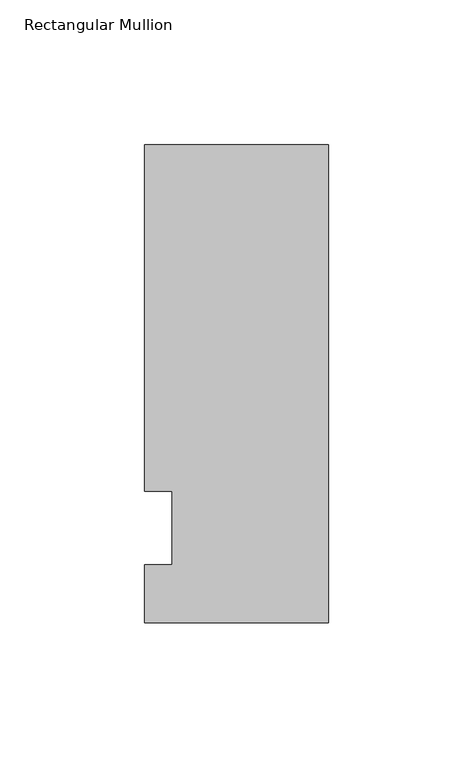
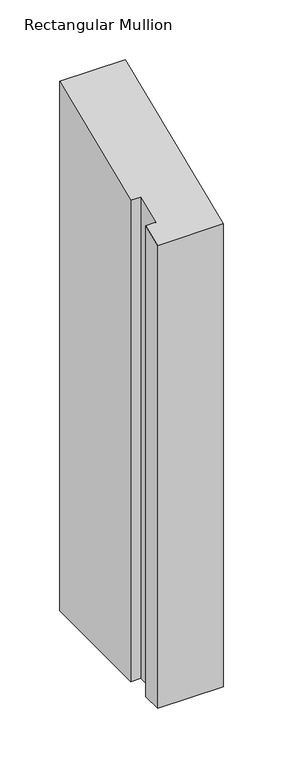
"""IFC4 building model written with IfcOpenShell, lengths in millimetres: member geometry, Rectangular Mullion."""

from ifc_helpers import new_model, si_unit, origin, place, context, project, spatial, faceted_brep, source, transform, mapped, element, save


def rectangular_mullion_0ada9761(model_context):
    return source(origin(), model_context, "Body", "Brep", [
        faceted_brep([(0.0, -20.0421875, -8.3017459), (-63.5, -20.0421875, -8.3017459), (-63.5, -20.0421875, -482.6), (0.0, -20.0421875, -482.6), (0.0, 145.0578125, 60.0849133), (0.0, 145.0578125, -482.6), (-63.5, 145.0578125, 60.0849133), (-63.5, 145.0578125, -482.6), (-63.5, 25.4, 10.5210245), (-63.5, 25.4, -482.6), (-53.975, 25.4, 10.5210245), (-53.975, 25.4, -482.6), (-53.975, 0.0, 0.0), (-53.975, 0.0, -482.6), (-63.5, 0.0, 0.0), (-63.5, 0.0, -482.6)], [[[0, 1, 2, 3]], [[4, 0, 3, 5]], [[6, 4, 5, 7]], [[8, 6, 7, 9]], [[10, 8, 9, 11]], [[12, 10, 11, 13]], [[14, 12, 13, 15]], [[1, 14, 15, 2]], [[1, 0, 4, 6, 8, 10, 12, 14]], [[2, 15, 13, 11, 9, 7, 5, 3]]]),
    ])


if __name__ == "__main__":
    model = new_model("IFC4")
    model_context = context("Model", 3, world=origin())
    ifc_project = project(units=[si_unit("LENGTHUNIT", "METRE", prefix="MILLI")], contexts=[model_context])
    site = spatial("IfcSite", under=ifc_project)
    building = spatial("IfcBuilding", under=site)
    placement = place(None, origin())
    rectangular_mullion_shape = rectangular_mullion_0ada9761(model_context)
    element("IfcMember", 1, ObjectType="Rectangular Mullion", at=placement, inside=building, context=model_context, shape_type="MappedRepresentation", body=[
        mapped(rectangular_mullion_shape, transform((0.0, 0.0, 0.0), x_axis=(1.0, 0.0, 0.0), y_axis=(0.0, 1.0, 0.0), z_axis=(0.0, 0.0, 1.0))),
    ])
    save(model, "model.ifc")
